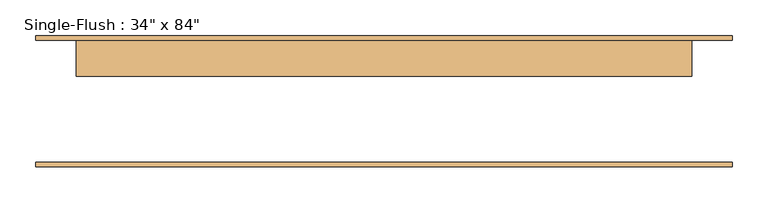
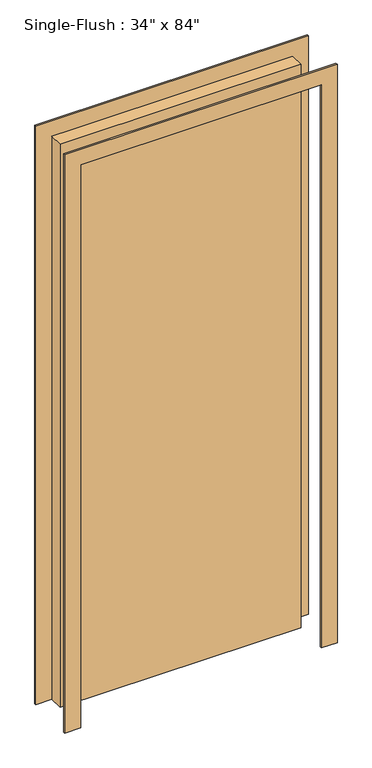
"""IFC4 building model written with IfcOpenShell, lengths in millimetres: door geometry."""

import ifcopenshell
import ifcopenshell.guid

model = None  # the IFC model being written
_history = None  # IfcOwnerHistory: only IFC2X3 demands one
_inside = {}  # id of a spatial element -> (the spatial element, [elements in it])
_under = {}  # id of a project, library or spatial element -> (it, [spatial elements below it])
_declared = {}  # id of a project -> (the project, [libraries it declares])
_typed = {}  # id of a type object -> (the type object, [elements of that type])
_made_of = {}  # id of a material, layer set ... -> (it, [elements and type objects made of it])


def new_model(schema):
    """Start an empty IFC model of exactly this schema.

    Asked for "IFC4X3", IfcOpenShell would pick the latest addendum, in which some entities
    have other attributes; the version numbers below select the first issue.
    IFC2X3 requires an IfcOwnerHistory on every rooted entity: one is made here for all.
    """
    global model, _history
    if schema == "IFC4X3":
        model = ifcopenshell.file(schema_version=(4, 3, 0, 0))
    else:
        model = ifcopenshell.file(schema=schema)
    _inside.clear()
    _under.clear()
    _declared.clear()
    _typed.clear()
    _made_of.clear()
    _history = None
    if model.schema == "IFC2X3":
        org = make("IfcOrganization", Name="unknown")
        user = make(
            "IfcPersonAndOrganization",
            ThePerson=make("IfcPerson", FamilyName="unknown"),
            TheOrganization=org,
        )
        app = make(
            "IfcApplication",
            ApplicationDeveloper=org,
            Version="unknown",
            ApplicationFullName="unknown",
            ApplicationIdentifier="unknown",
        )
        _history = make(
            "IfcOwnerHistory",
            OwningUser=user,
            OwningApplication=app,
            ChangeAction="ADDED",
            CreationDate=0,
        )
    return model


def make(cls, **values):
    """One entity of the class cls with the attributes given. An attribute that is None is left unset."""
    return model.create_entity(
        cls, **{name: value for name, value in values.items() if value is not None}
    )


def rooted(cls, **values):
    """An entity with a GlobalId (a new one), such as an element, a storey or a relation."""
    return make(cls, GlobalId=ifcopenshell.guid.new(), OwnerHistory=_history, **values)


def si_unit(unit_type, name, prefix=None):
    """IfcSIUnit, for example si_unit("LENGTHUNIT", "METRE", prefix="MILLI")."""
    return make("IfcSIUnit", UnitType=unit_type, Prefix=prefix, Name=name)


def assignment(units):
    """IfcUnitAssignment: the units of a project."""
    return None if units is None else make("IfcUnitAssignment", Units=units)


def point(xyz):
    """IfcCartesianPoint."""
    return None if xyz is None else make("IfcCartesianPoint", Coordinates=xyz)


def direction(xyz):
    """IfcDirection."""
    return None if xyz is None else make("IfcDirection", DirectionRatios=xyz)


def frame(location, z_axis=None, x_axis=None):
    """IfcAxis2Placement3D, a coordinate frame: its origin and axes. An axis left out is left unset."""
    return make(
        "IfcAxis2Placement3D",
        Location=point(location),
        Axis=direction(z_axis),
        RefDirection=direction(x_axis),
    )


def origin():
    """The frame at (0, 0, 0) with its axes left unset."""
    return frame((0.0, 0.0, 0.0))


def origin_with_axes():
    """The frame at (0, 0, 0) with the z axis (0, 0, 1) and the x axis (1, 0, 0) written out."""
    return frame((0.0, 0.0, 0.0), z_axis=(0.0, 0.0, 1.0), x_axis=(1.0, 0.0, 0.0))


def place(relative_to, where):
    """IfcLocalPlacement: puts the frame where relative to a parent placement (None: the world)."""
    return make(
        "IfcLocalPlacement", PlacementRelTo=relative_to, RelativePlacement=where
    )


def context(
    kind, dimensions, precision=None, world=None, true_north=None, identifier=None
):
    """IfcGeometricRepresentationContext, for example the 3D "Model" context."""
    return make(
        "IfcGeometricRepresentationContext",
        ContextIdentifier=identifier,
        ContextType=kind,
        CoordinateSpaceDimension=dimensions,
        Precision=precision,
        WorldCoordinateSystem=world,
        TrueNorth=true_north,
    )


def project(units=None, contexts=None):
    """IfcProject with its units and contexts."""
    return rooted(
        "IfcProject",
        Name="project",
        RepresentationContexts=contexts,
        UnitsInContext=assignment(units),
    )


def spatial(cls, under=None, at=None, **own):
    """A site, building, storey or space (cls), placed at a placement, below another one or the project."""
    s = rooted(cls, ObjectPlacement=at, **own)
    if under is not None:
        _under.setdefault(under.id(), (under, []))[1].append(s)
    return s


def polyline(points):
    """IfcPolyline through the points."""
    return make("IfcPolyline", Points=[point(p) for p in points])


def outline(outer, holes=None, kind="AREA"):
    """IfcArbitraryClosedProfileDef: a profile drawn as a closed curve; with holes, ...WithVoids."""
    if holes is None:
        return make("IfcArbitraryClosedProfileDef", ProfileType=kind, OuterCurve=outer)
    return make(
        "IfcArbitraryProfileDefWithVoids",
        ProfileType=kind,
        OuterCurve=outer,
        InnerCurves=holes,
    )


def extrude(swept, where, along, depth):
    """IfcExtrudedAreaSolid: the profile swept, set in the frame where, extruded along a direction by depth."""
    return make(
        "IfcExtrudedAreaSolid",
        SweptArea=swept,
        Position=where,
        ExtrudedDirection=direction(along),
        Depth=depth,
    )


def shape(context_of_items, identifier, shape_type, items):
    """IfcShapeRepresentation: the items that make up one representation, for example the "Body"."""
    return make(
        "IfcShapeRepresentation",
        ContextOfItems=context_of_items,
        RepresentationIdentifier=identifier,
        RepresentationType=shape_type,
        Items=items,
    )


def source(mapping_origin, context_of_items, identifier, shape_type, items):
    """IfcRepresentationMap: a shape defined once, which mapped items show again and again."""
    return make(
        "IfcRepresentationMap",
        MappingOrigin=mapping_origin,
        MappedRepresentation=shape(context_of_items, identifier, shape_type, items),
    )


def transform(
    local_origin,
    x_axis=None,
    y_axis=None,
    z_axis=None,
    scale=None,
    scale2=None,
    scale3=None,
    uniform=True,
):
    """IfcCartesianTransformationOperator3D, or its non-uniform kind. x_axis, y_axis, z_axis: its Axis1, 2, 3."""
    if uniform:
        return make(
            "IfcCartesianTransformationOperator3D",
            Axis1=direction(x_axis),
            Axis2=direction(y_axis),
            LocalOrigin=point(local_origin),
            Scale=scale,
            Axis3=direction(z_axis),
        )
    return make(
        "IfcCartesianTransformationOperator3DnonUniform",
        Axis1=direction(x_axis),
        Axis2=direction(y_axis),
        LocalOrigin=point(local_origin),
        Scale=scale,
        Axis3=direction(z_axis),
        Scale2=scale2,
        Scale3=scale3,
    )


def mapped(mapping_source, mapping_target):
    """IfcMappedItem: shows the shape of a source again, moved by a transform."""
    return make(
        "IfcMappedItem", MappingSource=mapping_source, MappingTarget=mapping_target
    )


def made_of(thing, what):
    """Note that an element or type object is made of a material, layer set ...; save() writes the relation."""
    if what is not None:
        _made_of.setdefault(what.id(), (what, []))[1].append(thing)
    return thing


def element(
    cls,
    number,
    at=None,
    inside=None,
    cuts=None,
    type_object=None,
    material=None,
    context=None,
    identifier="Body",
    shape_type=None,
    held_by="IfcProductDefinitionShape",
    body=None,
    shapes=None,
    **own,
):
    """One element of the class cls, such as IfcWall. Its Tag is "e" and its number.

    at: its placement. inside: the storey or other place that contains it. cuts: it is an
    opening in that element (IfcRelVoidsElement). A single representation is given by context,
    identifier, shape_type and body (its items); several are given by shapes. held_by: the class
    of the entity that holds the representations. save() writes the other relations.
    """
    e = rooted(cls, Tag="e%d" % number, ObjectPlacement=at, **own)
    if body is not None:
        shapes = [shape(context, identifier, shape_type, body)]
    if shapes is not None:
        e.Representation = make(held_by, Representations=shapes)
    if inside is not None:
        _inside.setdefault(inside.id(), (inside, []))[1].append(e)
    if cuts is not None:
        rooted(
            "IfcRelVoidsElement", RelatingBuildingElement=cuts, RelatedOpeningElement=e
        )
    if type_object is not None:
        _typed.setdefault(type_object.id(), (type_object, []))[1].append(e)
    return made_of(e, material)


def aggregate(whole, parts):
    """IfcRelAggregates: a whole, such as a stair, and the parts it consists of."""
    return rooted("IfcRelAggregates", RelatingObject=whole, RelatedObjects=parts)


def save(model, path):
    """Write the relations noted so far, then the file.

    IfcRelAggregates (storeys below a building ...), IfcRelContainedInSpatialStructure (elements
    in a storey), IfcRelDefinesByType, IfcRelAssociatesMaterial and IfcRelDeclares: one each for
    every whole, place, type object, material and project.
    """
    for whole, parts in _under.values():
        aggregate(whole, parts)
    for where, things in _inside.values():
        rooted(
            "IfcRelContainedInSpatialStructure",
            RelatedElements=things,
            RelatingStructure=where,
        )
    for kind, things in _typed.values():
        rooted("IfcRelDefinesByType", RelatedObjects=things, RelatingType=kind)
    for what, things in _made_of.values():
        rooted("IfcRelAssociatesMaterial", RelatedObjects=things, RelatingMaterial=what)
    for by, libraries in _declared.values():
        rooted("IfcRelDeclares", RelatingContext=by, RelatedDefinitions=libraries)
    model.write(path)


def door_d30cc840(model_context):
    return source(origin(), model_context, "Body", "SweptSolid", [
        extrude(outline(polyline([(2190.75, -488.95), (0.0, -488.95), (0.0, -431.8), (2133.6, -431.8), (2133.6, 431.8), (0.0, 431.8), (0.0, 488.95), (2190.75, 488.95), (2190.75, -488.95)])), frame((0.0, 85.725, 0.0), z_axis=(0.0, 1.0, 0.0), x_axis=(0.0, 0.0, 1.0)), (0.0, 0.0, 1.0), 6.35),
        extrude(outline(polyline([(2190.75, 488.95), (2190.75, -488.95), (0.0, -488.95), (0.0, -431.8), (2133.6, -431.8), (2133.6, 431.8), (0.0, 431.8), (0.0, 488.95), (2190.75, 488.95)])), frame((0.0, -92.075, 0.0), z_axis=(0.0, 1.0, 0.0), x_axis=(0.0, 0.0, 1.0)), (0.0, 0.0, 1.0), 6.35),
        extrude(outline(polyline([(431.8, 34.925), (-431.8, 34.925), (-431.8, 85.725), (431.8, 85.725), (431.8, 34.925)])), origin_with_axes(), (0.0, 0.0, 1.0), 2133.6),
    ])


if __name__ == "__main__":
    model = new_model("IFC4")
    model_context = context("Model", 3, world=origin())
    ifc_project = project(units=[si_unit("LENGTHUNIT", "METRE", prefix="MILLI")], contexts=[model_context])
    site = spatial("IfcSite", under=ifc_project)
    building = spatial("IfcBuilding", under=site)
    placement = place(None, origin())
    door_shape = door_d30cc840(model_context)
    element("IfcDoor", 1, ObjectType="Single-Flush : 34\" x 84\"", at=placement, inside=building, context=model_context, shape_type="MappedRepresentation", body=[
        mapped(door_shape, transform((0.0, 0.0, 0.0), x_axis=(1.0, 0.0, 0.0), y_axis=(0.0, 1.0, 0.0), z_axis=(0.0, 0.0, 1.0))),
    ])
    save(model, "model.ifc")
